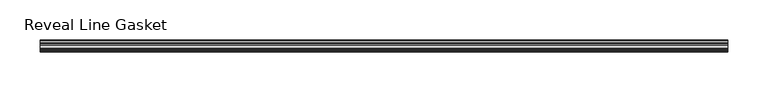
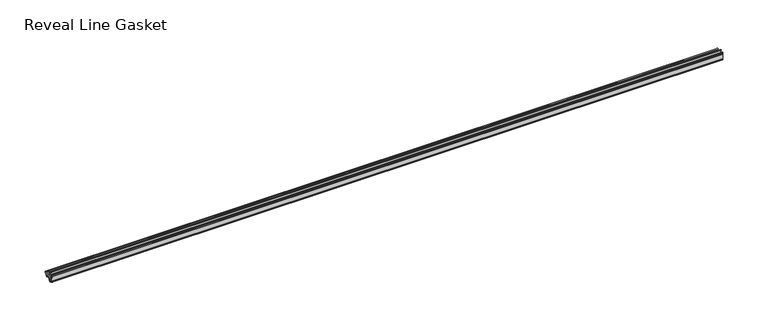
"""IFC4 building model written with IfcOpenShell, lengths in millimetres: furniture geometry, Reveal Line Gasket."""

from ifc_helpers import new_model, si_unit, point, frame, frame_2d, origin, place, context, project, spatial, polyline, circle_curve, trimmed, segment, composite_curve, outline, extrude, source, transform, mapped, element, save


def reveal_line_gasket_a33dae62(model_context):
    return source(origin(), model_context, "Body", "SweptSolid", [
        extrude(outline(composite_curve([segment(polyline([(-7.6326998, 1603.2), (-7.4091917, 1604.1554927), (-6.8813059, 1605.0884684)]), True, "CONTINUOUS"), segment(trimmed(circle_curve(frame_2d((-6.5243141, 1604.8864793)), 0.4101739), [point((-6.8813059, 1605.0884684))], [point((-6.1246704, 1604.7941347))], False, "CARTESIAN"), True, "CONTINUOUS"), segment(polyline([(-6.1246704, 1604.7941347), (-6.3626997, 1603.0979086), (-6.3626997, 1601.0654527)]), True, "CONTINUOUS"), segment(trimmed(circle_curve(frame_2d((-5.6959605, 1601.4819258)), 0.786124), [point((-6.3626997, 1601.0654527))], [point((-5.0926996, 1600.977875))], True, "CARTESIAN"), True, "CONTINUOUS"), segment(polyline([(-5.0926996, 1600.977875), (-0.7492996, 1600.977875), (-3.7293824, 1606.1395295)]), True, "CONTINUOUS"), segment(trimmed(circle_curve(frame_2d((-3.3132479, 1606.2049761)), 0.4212495), [point((-3.7293824, 1606.1395295))], [point((-3.0485022, 1606.5326358))], False, "CARTESIAN"), True, "CONTINUOUS"), segment(polyline([(-3.0485022, 1606.5326358), (0.5742594, 1600.977875), (4.8262978, 1600.977875), (3.1660374, 1603.8535297)]), True, "CONTINUOUS"), segment(trimmed(circle_curve(frame_2d((3.5978728, 1603.9118855)), 0.4357605), [point((3.1660374, 1603.8535297))], [point((3.864328, 1604.2566881))], False, "CARTESIAN"), True, "CONTINUOUS"), segment(polyline([(3.864328, 1604.2566881), (6.1944059, 1600.977875), (7.6326998, 1600.977875), (7.6326998, 1599.422125), (6.1944059, 1599.422125), (3.864328, 1596.1433119)]), True, "CONTINUOUS"), segment(trimmed(circle_curve(frame_2d((3.5978728, 1596.4881145)), 0.4357605), [point((3.864328, 1596.1433119))], [point((3.1660374, 1596.5464703))], False, "CARTESIAN"), True, "CONTINUOUS"), segment(polyline([(3.1660374, 1596.5464703), (4.8262978, 1599.422125), (0.5742594, 1599.422125), (-3.0485022, 1593.8673642)]), True, "CONTINUOUS"), segment(trimmed(circle_curve(frame_2d((-3.3132479, 1594.1950239)), 0.4212495), [point((-3.0485022, 1593.8673642))], [point((-3.7293824, 1594.2604705))], False, "CARTESIAN"), True, "CONTINUOUS"), segment(polyline([(-3.7293824, 1594.2604705), (-0.7492996, 1599.422125), (-5.0926996, 1599.422125)]), True, "CONTINUOUS"), segment(trimmed(circle_curve(frame_2d((-5.6959605, 1598.9180742)), 0.786124), [point((-5.0926996, 1599.422125))], [point((-6.3626997, 1599.3345473))], True, "CARTESIAN"), True, "CONTINUOUS"), segment(polyline([(-6.3626997, 1599.3345473), (-6.3626997, 1597.3020914), (-6.1246704, 1595.6058653)]), True, "CONTINUOUS"), segment(trimmed(circle_curve(frame_2d((-6.5243141, 1595.5135207)), 0.4101739), [point((-6.1246704, 1595.6058653))], [point((-6.8813059, 1595.3115316))], False, "CARTESIAN"), True, "CONTINUOUS"), segment(polyline([(-6.8813059, 1595.3115316), (-7.4091917, 1596.2445073), (-7.6326998, 1597.2), (-7.6326998, 1603.2)]), True, "CONTINUOUS")], self_intersect=False)), frame((-429.9204, 0.0, 0.0), z_axis=(1.0, 0.0, 0.0), x_axis=(0.0, 1.0, 0.0)), (0.0, 0.0, 1.0), 859.8408),
    ])


if __name__ == "__main__":
    model = new_model("IFC4")
    model_context = context("Model", 3, world=origin())
    ifc_project = project(units=[si_unit("LENGTHUNIT", "METRE", prefix="MILLI")], contexts=[model_context])
    site = spatial("IfcSite", under=ifc_project)
    building = spatial("IfcBuilding", under=site)
    placement = place(None, origin())
    reveal_line_gasket_shape = reveal_line_gasket_a33dae62(model_context)
    element("IfcFurniture", 1, ObjectType="Reveal Line Gasket", at=placement, inside=building, context=model_context, shape_type="MappedRepresentation", body=[
        mapped(reveal_line_gasket_shape, transform((0.0, 0.0, 0.0), x_axis=(1.0, 0.0, 0.0), y_axis=(0.0, 1.0, 0.0), z_axis=(0.0, 0.0, 1.0))),
    ])
    save(model, "model.ifc")
